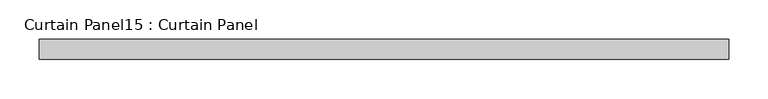
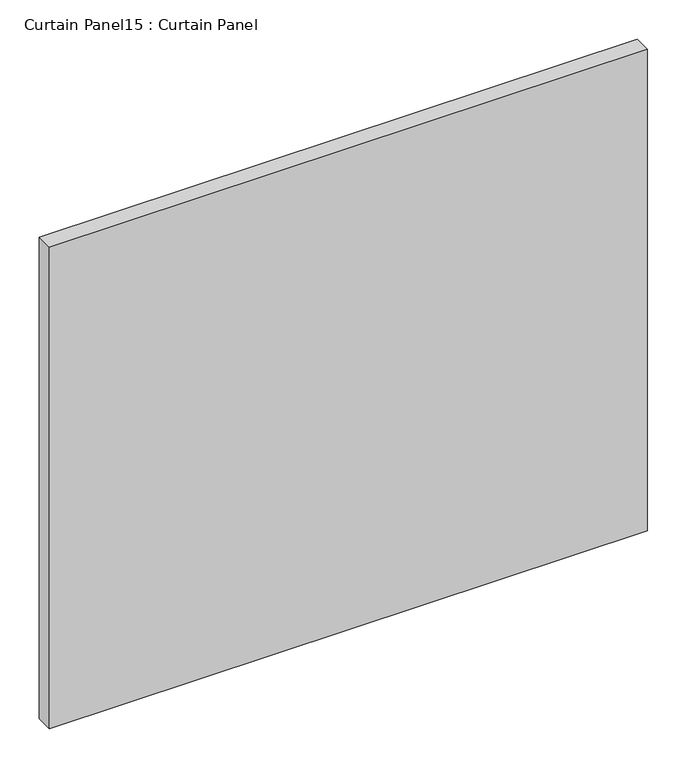
"""IFC4 building model written with IfcOpenShell, lengths in millimetres: plate geometry, Curtain Panel15 : Curtain Panel."""

from ifc_helpers import new_model, si_unit, frame, origin, place, context, project, spatial, polyline, outline, extrude, source, transform, mapped, element, save


def curtain_panel15_curtain_panel_c9f13f9a(model_context):
    return source(origin(), model_context, "Body", "SweptSolid", [
        extrude(outline(polyline([(-43703.5188062, -2011.9422349), (-44580.9215513, -2011.9422349), (-44580.9215513, -1986.5422349), (-43703.5188062, -1986.5422349), (-43703.5188062, -2011.9422349)])), frame((0.0, 0.0, 1691.4806474), z_axis=(0.0, 0.0, 1.0), x_axis=(1.0, 0.0, 0.0)), (0.0, 0.0, 1.0), 746.9774073),
    ])


if __name__ == "__main__":
    model = new_model("IFC4")
    model_context = context("Model", 3, world=origin())
    ifc_project = project(units=[si_unit("LENGTHUNIT", "METRE", prefix="MILLI")], contexts=[model_context])
    site = spatial("IfcSite", under=ifc_project)
    building = spatial("IfcBuilding", under=site)
    placement = place(None, origin())
    curtain_panel15_curtain_panel_shape = curtain_panel15_curtain_panel_c9f13f9a(model_context)
    element("IfcPlate", 1, ObjectType="Curtain Panel15 : Curtain Panel", at=placement, inside=building, context=model_context, shape_type="MappedRepresentation", body=[
        mapped(curtain_panel15_curtain_panel_shape, transform((0.0, 0.0, 0.0), x_axis=(1.0, 0.0, 0.0), y_axis=(0.0, 1.0, 0.0), z_axis=(0.0, 0.0, 1.0))),
    ])
    save(model, "model.ifc")
